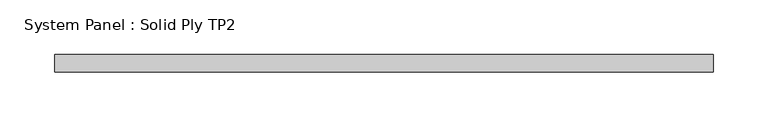
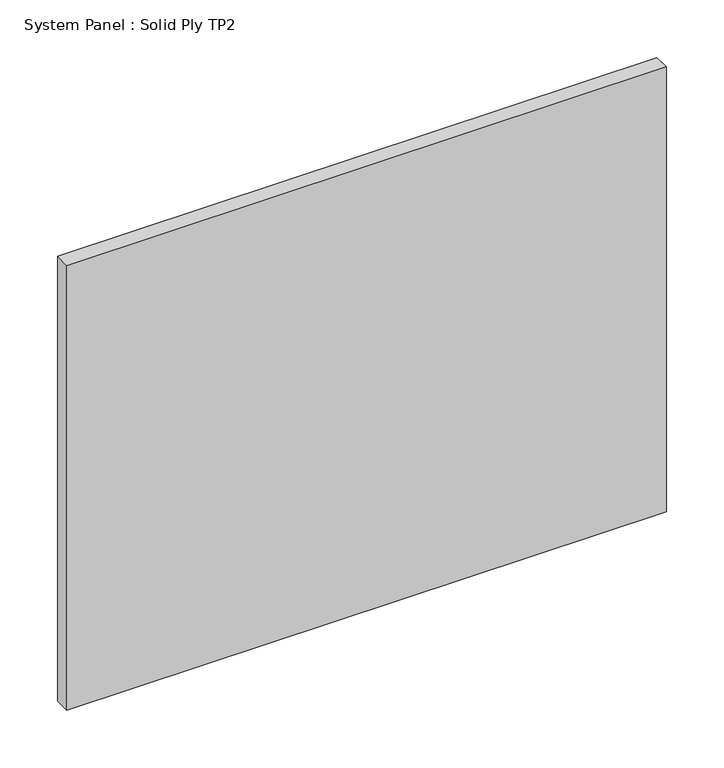
"""IFC4 building model written with IfcOpenShell, lengths in millimetres: plate geometry, System Panel : Solid Ply TP2."""

from ifc_helpers import new_model, si_unit, origin, origin_with_axes, place, context, project, spatial, polyline, outline, extrude, source, transform, mapped, element, save


def system_panel_solid_ply_tp2_e85a93bb(model_context):
    return source(origin(), model_context, "Body", "SweptSolid", [
        extrude(outline(polyline([(299.7500002, -23.0), (-299.7500002, -23.0), (-299.7500002, -7.0), (299.7500002, -7.0), (299.7500002, -23.0)])), origin_with_axes(), (0.0, 0.0, 1.0), 470.0),
    ])


if __name__ == "__main__":
    model = new_model("IFC4")
    model_context = context("Model", 3, world=origin())
    ifc_project = project(units=[si_unit("LENGTHUNIT", "METRE", prefix="MILLI")], contexts=[model_context])
    site = spatial("IfcSite", under=ifc_project)
    building = spatial("IfcBuilding", under=site)
    placement = place(None, origin())
    system_panel_solid_ply_tp2_shape = system_panel_solid_ply_tp2_e85a93bb(model_context)
    element("IfcPlate", 1, ObjectType="System Panel : Solid Ply TP2", at=placement, inside=building, context=model_context, shape_type="MappedRepresentation", body=[
        mapped(system_panel_solid_ply_tp2_shape, transform((0.0, 0.0, 0.0), x_axis=(1.0, 0.0, 0.0), y_axis=(0.0, 1.0, 0.0), z_axis=(0.0, 0.0, 1.0))),
    ])
    save(model, "model.ifc")
